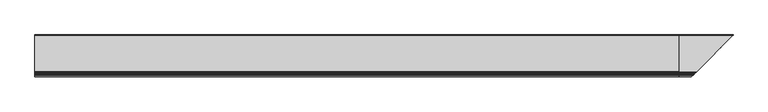
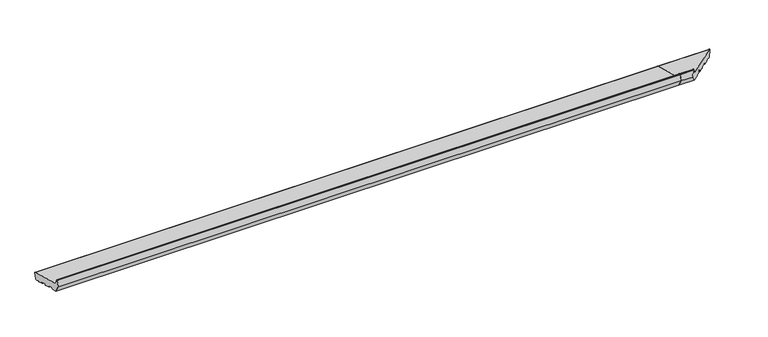
"""IFC4 building model written with IfcOpenShell, lengths in millimetres: proxy geometry."""

import ifcopenshell
import ifcopenshell.guid

model = None  # the IFC model being written
_history = None  # IfcOwnerHistory: only IFC2X3 demands one
_inside = {}  # id of a spatial element -> (the spatial element, [elements in it])
_under = {}  # id of a project, library or spatial element -> (it, [spatial elements below it])
_declared = {}  # id of a project -> (the project, [libraries it declares])
_typed = {}  # id of a type object -> (the type object, [elements of that type])
_made_of = {}  # id of a material, layer set ... -> (it, [elements and type objects made of it])


def new_model(schema):
    """Start an empty IFC model of exactly this schema.

    Asked for "IFC4X3", IfcOpenShell would pick the latest addendum, in which some entities
    have other attributes; the version numbers below select the first issue.
    IFC2X3 requires an IfcOwnerHistory on every rooted entity: one is made here for all.
    """
    global model, _history
    if schema == "IFC4X3":
        model = ifcopenshell.file(schema_version=(4, 3, 0, 0))
    else:
        model = ifcopenshell.file(schema=schema)
    _inside.clear()
    _under.clear()
    _declared.clear()
    _typed.clear()
    _made_of.clear()
    _history = None
    if model.schema == "IFC2X3":
        org = make("IfcOrganization", Name="unknown")
        user = make(
            "IfcPersonAndOrganization",
            ThePerson=make("IfcPerson", FamilyName="unknown"),
            TheOrganization=org,
        )
        app = make(
            "IfcApplication",
            ApplicationDeveloper=org,
            Version="unknown",
            ApplicationFullName="unknown",
            ApplicationIdentifier="unknown",
        )
        _history = make(
            "IfcOwnerHistory",
            OwningUser=user,
            OwningApplication=app,
            ChangeAction="ADDED",
            CreationDate=0,
        )
    return model


def make(cls, **values):
    """One entity of the class cls with the attributes given. An attribute that is None is left unset."""
    return model.create_entity(
        cls, **{name: value for name, value in values.items() if value is not None}
    )


def rooted(cls, **values):
    """An entity with a GlobalId (a new one), such as an element, a storey or a relation."""
    return make(cls, GlobalId=ifcopenshell.guid.new(), OwnerHistory=_history, **values)


def si_unit(unit_type, name, prefix=None):
    """IfcSIUnit, for example si_unit("LENGTHUNIT", "METRE", prefix="MILLI")."""
    return make("IfcSIUnit", UnitType=unit_type, Prefix=prefix, Name=name)


def assignment(units):
    """IfcUnitAssignment: the units of a project."""
    return None if units is None else make("IfcUnitAssignment", Units=units)


def point(xyz):
    """IfcCartesianPoint."""
    return None if xyz is None else make("IfcCartesianPoint", Coordinates=xyz)


def direction(xyz):
    """IfcDirection."""
    return None if xyz is None else make("IfcDirection", DirectionRatios=xyz)


def frame(location, z_axis=None, x_axis=None):
    """IfcAxis2Placement3D, a coordinate frame: its origin and axes. An axis left out is left unset."""
    return make(
        "IfcAxis2Placement3D",
        Location=point(location),
        Axis=direction(z_axis),
        RefDirection=direction(x_axis),
    )


def frame_2d(location, x_axis=None):
    """IfcAxis2Placement2D, a coordinate frame in the plane: its origin and x axis."""
    return make(
        "IfcAxis2Placement2D", Location=point(location), RefDirection=direction(x_axis)
    )


def origin():
    """The frame at (0, 0, 0) with its axes left unset."""
    return frame((0.0, 0.0, 0.0))


def place(relative_to, where):
    """IfcLocalPlacement: puts the frame where relative to a parent placement (None: the world)."""
    return make(
        "IfcLocalPlacement", PlacementRelTo=relative_to, RelativePlacement=where
    )


def context(
    kind, dimensions, precision=None, world=None, true_north=None, identifier=None
):
    """IfcGeometricRepresentationContext, for example the 3D "Model" context."""
    return make(
        "IfcGeometricRepresentationContext",
        ContextIdentifier=identifier,
        ContextType=kind,
        CoordinateSpaceDimension=dimensions,
        Precision=precision,
        WorldCoordinateSystem=world,
        TrueNorth=true_north,
    )


def project(units=None, contexts=None):
    """IfcProject with its units and contexts."""
    return rooted(
        "IfcProject",
        Name="project",
        RepresentationContexts=contexts,
        UnitsInContext=assignment(units),
    )


def spatial(cls, under=None, at=None, **own):
    """A site, building, storey or space (cls), placed at a placement, below another one or the project."""
    s = rooted(cls, ObjectPlacement=at, **own)
    if under is not None:
        _under.setdefault(under.id(), (under, []))[1].append(s)
    return s


def polyline(points):
    """IfcPolyline through the points."""
    return make("IfcPolyline", Points=[point(p) for p in points])


def circle_curve(where, radius):
    """IfcCircle in the frame where."""
    return make("IfcCircle", Position=where, Radius=radius)


def ellipse_curve(where, semi_axis1, semi_axis2):
    """IfcEllipse in the frame where."""
    return make(
        "IfcEllipse", Position=where, SemiAxis1=semi_axis1, SemiAxis2=semi_axis2
    )


def trimmed(basis, trim1, trim2, sense, master):
    """IfcTrimmedCurve: the piece of a basis curve between two trims."""
    return make(
        "IfcTrimmedCurve",
        BasisCurve=basis,
        Trim1=trim1,
        Trim2=trim2,
        SenseAgreement=sense,
        MasterRepresentation=master,
    )


def segment(curve, same_sense, transition):
    """IfcCompositeCurveSegment."""
    return make(
        "IfcCompositeCurveSegment",
        Transition=transition,
        SameSense=same_sense,
        ParentCurve=curve,
    )


def composite_curve(segments, self_intersect=None):
    """IfcCompositeCurve: segments joined end to end."""
    return make("IfcCompositeCurve", Segments=segments, SelfIntersect=self_intersect)


def outline(outer, holes=None, kind="AREA"):
    """IfcArbitraryClosedProfileDef: a profile drawn as a closed curve; with holes, ...WithVoids."""
    if holes is None:
        return make("IfcArbitraryClosedProfileDef", ProfileType=kind, OuterCurve=outer)
    return make(
        "IfcArbitraryProfileDefWithVoids",
        ProfileType=kind,
        OuterCurve=outer,
        InnerCurves=holes,
    )


def extrude(swept, where, along, depth):
    """IfcExtrudedAreaSolid: the profile swept, set in the frame where, extruded along a direction by depth."""
    return make(
        "IfcExtrudedAreaSolid",
        SweptArea=swept,
        Position=where,
        ExtrudedDirection=direction(along),
        Depth=depth,
    )


def shape(context_of_items, identifier, shape_type, items):
    """IfcShapeRepresentation: the items that make up one representation, for example the "Body"."""
    return make(
        "IfcShapeRepresentation",
        ContextOfItems=context_of_items,
        RepresentationIdentifier=identifier,
        RepresentationType=shape_type,
        Items=items,
    )


def source(mapping_origin, context_of_items, identifier, shape_type, items):
    """IfcRepresentationMap: a shape defined once, which mapped items show again and again."""
    return make(
        "IfcRepresentationMap",
        MappingOrigin=mapping_origin,
        MappedRepresentation=shape(context_of_items, identifier, shape_type, items),
    )


def transform(
    local_origin,
    x_axis=None,
    y_axis=None,
    z_axis=None,
    scale=None,
    scale2=None,
    scale3=None,
    uniform=True,
):
    """IfcCartesianTransformationOperator3D, or its non-uniform kind. x_axis, y_axis, z_axis: its Axis1, 2, 3."""
    if uniform:
        return make(
            "IfcCartesianTransformationOperator3D",
            Axis1=direction(x_axis),
            Axis2=direction(y_axis),
            LocalOrigin=point(local_origin),
            Scale=scale,
            Axis3=direction(z_axis),
        )
    return make(
        "IfcCartesianTransformationOperator3DnonUniform",
        Axis1=direction(x_axis),
        Axis2=direction(y_axis),
        LocalOrigin=point(local_origin),
        Scale=scale,
        Axis3=direction(z_axis),
        Scale2=scale2,
        Scale3=scale3,
    )


def mapped(mapping_source, mapping_target):
    """IfcMappedItem: shows the shape of a source again, moved by a transform."""
    return make(
        "IfcMappedItem", MappingSource=mapping_source, MappingTarget=mapping_target
    )


def made_of(thing, what):
    """Note that an element or type object is made of a material, layer set ...; save() writes the relation."""
    if what is not None:
        _made_of.setdefault(what.id(), (what, []))[1].append(thing)
    return thing


def element(
    cls,
    number,
    at=None,
    inside=None,
    cuts=None,
    type_object=None,
    material=None,
    context=None,
    identifier="Body",
    shape_type=None,
    held_by="IfcProductDefinitionShape",
    body=None,
    shapes=None,
    **own,
):
    """One element of the class cls, such as IfcWall. Its Tag is "e" and its number.

    at: its placement. inside: the storey or other place that contains it. cuts: it is an
    opening in that element (IfcRelVoidsElement). A single representation is given by context,
    identifier, shape_type and body (its items); several are given by shapes. held_by: the class
    of the entity that holds the representations. save() writes the other relations.
    """
    e = rooted(cls, Tag="e%d" % number, ObjectPlacement=at, **own)
    if body is not None:
        shapes = [shape(context, identifier, shape_type, body)]
    if shapes is not None:
        e.Representation = make(held_by, Representations=shapes)
    if inside is not None:
        _inside.setdefault(inside.id(), (inside, []))[1].append(e)
    if cuts is not None:
        rooted(
            "IfcRelVoidsElement", RelatingBuildingElement=cuts, RelatedOpeningElement=e
        )
    if type_object is not None:
        _typed.setdefault(type_object.id(), (type_object, []))[1].append(e)
    return made_of(e, material)


def aggregate(whole, parts):
    """IfcRelAggregates: a whole, such as a stair, and the parts it consists of."""
    return rooted("IfcRelAggregates", RelatingObject=whole, RelatedObjects=parts)


def save(model, path):
    """Write the relations noted so far, then the file.

    IfcRelAggregates (storeys below a building ...), IfcRelContainedInSpatialStructure (elements
    in a storey), IfcRelDefinesByType, IfcRelAssociatesMaterial and IfcRelDeclares: one each for
    every whole, place, type object, material and project.
    """
    for whole, parts in _under.values():
        aggregate(whole, parts)
    for where, things in _inside.values():
        rooted(
            "IfcRelContainedInSpatialStructure",
            RelatedElements=things,
            RelatingStructure=where,
        )
    for kind, things in _typed.values():
        rooted("IfcRelDefinesByType", RelatedObjects=things, RelatingType=kind)
    for what, things in _made_of.values():
        rooted("IfcRelAssociatesMaterial", RelatedObjects=things, RelatingMaterial=what)
    for by, libraries in _declared.values():
        rooted("IfcRelDeclares", RelatingContext=by, RelatedDefinitions=libraries)
    model.write(path)


def plane_surface(at):
    """IfcPlane: the flat surface through the origin of the frame at, square to its z axis."""
    return make("IfcPlane", Position=at)


def cylinder_surface(at, radius):
    """IfcCylindricalSurface: all points at the distance radius from the z axis of the frame at."""
    return make("IfcCylindricalSurface", Position=at, Radius=radius)


def revolved_surface(curve, axis_point, axis_direction):
    """IfcSurfaceOfRevolution: the curve turned about the line through axis_point along axis_direction."""
    return make(
        "IfcSurfaceOfRevolution",
        SweptCurve=make("IfcArbitraryOpenProfileDef", ProfileType="CURVE", Curve=curve),
        AxisPosition=make("IfcAxis1Placement", Location=point(axis_point), Axis=direction(axis_direction)),
    )


def advanced_brep(points, edges, surfaces, faces):
    """IfcAdvancedBrep: a solid bounded by faces that lie on surfaces and meet in shared edges.

    An edge is (start, end): straight between two places in points (the first is 0);
    or (start, end, curve); or (start, end, curve, False) where it runs against its curve.
    A face is (place in surfaces, loops), or (place, loops, False) where it looks against
    its surface's normal. A loop lists edges by number (the first is 1), with a minus sign
    where the edge is run from its end to its start. The first loop is the outer one.
    """
    corners = [point(p) for p in points]
    vertices = [make("IfcVertexPoint", VertexGeometry=c) for c in corners]
    made = []
    for start, end, *more in edges:
        made.append(
            make(
                "IfcEdgeCurve",
                EdgeStart=vertices[start],
                EdgeEnd=vertices[end],
                EdgeGeometry=more[0] if more else make("IfcPolyline", Points=[corners[start], corners[end]]),
                SameSense=more[1] if len(more) > 1 else True,
            )
        )
    hull = []
    for where, loops, *sense in faces:
        bounds = []
        for j, loop in enumerate(loops):
            ring = [make("IfcOrientedEdge", EdgeElement=made[abs(k) - 1], Orientation=k > 0) for k in loop]
            bounds.append(
                make(
                    "IfcFaceOuterBound" if j == 0 else "IfcFaceBound",
                    Bound=make("IfcEdgeLoop", EdgeList=ring),
                    Orientation=True,
                )
            )
        hull.append(make("IfcAdvancedFace", Bounds=bounds, FaceSurface=surfaces[where], SameSense=sense[0] if sense else True))
    return make("IfcAdvancedBrep", Outer=make("IfcClosedShell", CfsFaces=hull))


def generic_models_bc8c15d0(model_context):
    return source(origin(), model_context, "Body", "SolidModel", [
        advanced_brep(
        [(2919.6670576, 34.6670576, 35.293328), (2919.6670576, 34.6670576, 30.8798763), (2919.6670576, 35.160744, 32.7223387), (2695.0, 24.7572142, 5.4869469), (2695.0, 22.0404366, 6.2149052), (2695.0, 7.8722069, 14.8023515), (2695.0, 6.3879511, 14.2059898), (2695.0, 5.4386976, 10.6633278), (2695.0, 4.2139528, 9.956221), (2695.0, -18.0023412, 15.909059), (2695.0, -18.709448, 17.1338039), (2695.0, -17.6741718, 20.9975072), (2695.0, -18.3812786, 22.2222521), (2695.0, -41.5634984, 28.4339092), (2695.0, -42.7882433, 27.7268024), (2695.0, -43.8235195, 23.8630991), (2695.0, -45.0482644, 23.1559923), (2695.0, -67.2645584, 29.1088303), (2695.0, -67.9716652, 30.3335752), (2695.0, -66.936389, 34.1972785), (2695.0, -67.6434958, 35.4220234), (2695.0, -90.8257156, 41.6336805), (2695.0, -92.0504605, 40.9265737), (2695.0, -93.0857366, 37.0628704), (2695.0, -94.3104815, 36.3557636), (2695.0, -122.3223305, 43.8615159), (2695.0, -140.0, 74.4801377), (2695.0, -133.4291321, 99.0029505), (2695.0, -131.9802434, 100.114722), (2695.0, -128.6368689, 100.114722), (2695.0, -127.1879801, 99.0029505), (2695.0, -122.4052841, 81.1536858), (2695.0, -118.1626434, 76.9110451), (2695.0, 33.0394236, 36.3965733), (2695.0, 35.160744, 32.7223387), (2695.0, 28.4314488, 7.6082672), (2913.4314488, 28.4314488, 7.6082672), (2909.7572142, 24.7572142, 5.4869469), (2918.0394236, 33.0394236, 36.3965733), (2766.8373566, -118.1626434, 76.9110451), (2762.5947159, -122.4052841, 81.1536858), (2757.8120199, -127.1879801, 99.0029505), (2756.3631311, -128.6368689, 100.114722), (2753.0197566, -131.9802434, 100.114722), (2751.5708679, -133.4291321, 99.0029505), (2745.0, -140.0, 74.4801377), (2762.6776695, -122.3223305, 43.8615159), (2790.6895185, -94.3104815, 36.3557636), (2791.9142634, -93.0857366, 37.0628704), (2792.9495395, -92.0504605, 40.9265737), (2794.1742844, -90.8257156, 41.6336805), (2817.3565042, -67.6434958, 35.4220234), (2818.063611, -66.936389, 34.1972785), (2817.0283348, -67.9716652, 30.3335752), (2817.7354416, -67.2645584, 29.1088303), (2839.9517356, -45.0482644, 23.1559923), (2841.1764805, -43.8235195, 23.8630991), (2842.2117567, -42.7882433, 27.7268024), (2843.4365016, -41.5634984, 28.4339092), (2907.0404366, 22.0404366, 6.2149052), (2866.6187214, -18.3812786, 22.2222521), (2866.9976588, -18.0023412, 15.909059), (2866.290552, -18.709448, 17.1338039), (2867.3258282, -17.6741718, 20.9975072), (2889.2139528, 4.2139528, 9.956221), (2890.4386976, 5.4386976, 10.6633278), (2891.3879511, 6.3879511, 14.2059898), (2892.8722069, 7.8722069, 14.8023515)],
        [
            (0, 1),
            (1, 2),
            (2, 0, circle_curve(frame((2919.6670576, 32.2629665, 33.4987958), z_axis=(1.0, 0.0, 0.0), x_axis=(0.0, 1.0, 0.0)), 3.0)),
            (3, 4),
            (4, 5),
            (5, 6, circle_curve(frame((2695.0, 7.3538769, 13.9471708), z_axis=(1.0, 0.0, 0.0), x_axis=(0.0, 1.0, 0.0)), 1.0)),
            (6, 7),
            (7, 8, circle_curve(frame((2695.0, 4.4727718, 10.9221468), z_axis=(-1.0, 0.0, 0.0), x_axis=(0.0, 1.0, 0.0)), 1.0)),
            (8, 9),
            (9, 10, circle_curve(frame((2695.0, -17.7435222, 16.8749849), z_axis=(-1.0, 0.0, 0.0), x_axis=(0.0, 1.0, 0.0)), 1.0)),
            (10, 11),
            (11, 12, circle_curve(frame((2695.0, -18.6400977, 21.2563263), z_axis=(1.0, 0.0, 0.0), x_axis=(0.0, 1.0, 0.0)), 1.0)),
            (12, 13),
            (13, 14, circle_curve(frame((2695.0, -41.8223175, 27.4679833), z_axis=(1.0, 0.0, 0.0), x_axis=(0.0, 1.0, 0.0)), 1.0)),
            (14, 15),
            (15, 16, circle_curve(frame((2695.0, -44.7894453, 24.1219181), z_axis=(-1.0, 0.0, 0.0), x_axis=(0.0, 1.0, 0.0)), 1.0)),
            (16, 17),
            (17, 18, circle_curve(frame((2695.0, -67.0057393, 30.0747562), z_axis=(-1.0, 0.0, 0.0), x_axis=(0.0, 1.0, 0.0)), 1.0)),
            (18, 19),
            (19, 20, circle_curve(frame((2695.0, -67.9023148, 34.4560976), z_axis=(1.0, 0.0, 0.0), x_axis=(0.0, 1.0, 0.0)), 1.0)),
            (20, 21),
            (21, 22, circle_curve(frame((2695.0, -91.0845346, 40.6677546), z_axis=(1.0, 0.0, 0.0), x_axis=(0.0, 1.0, 0.0)), 1.0)),
            (22, 23),
            (23, 24, circle_curve(frame((2695.0, -94.0516625, 37.3216894), z_axis=(-1.0, 0.0, 0.0), x_axis=(0.0, 1.0, 0.0)), 1.0)),
            (24, 25),
            (25, 26),
            (26, 27),
            (27, 28, circle_curve(frame((2695.0, -131.9802434, 98.614722), z_axis=(-1.0, 0.0, 0.0), x_axis=(0.0, 1.0, 0.0)), 1.5)),
            (28, 29),
            (29, 30, circle_curve(frame((2695.0, -128.6368689, 98.614722), z_axis=(-1.0, 0.0, 0.0), x_axis=(0.0, 1.0, 0.0)), 1.5)),
            (30, 31),
            (31, 32, circle_curve(frame((2695.0, -116.6097291, 82.7066), z_axis=(1.0, 0.0, 0.0), x_axis=(0.0, 1.0, 0.0)), 6.0)),
            (32, 33),
            (33, 34, circle_curve(frame((2695.0, 32.2629665, 33.4987958), z_axis=(-1.0, 0.0, 0.0), x_axis=(0.0, 1.0, 0.0)), 3.0)),
            (34, 35),
            (35, 3, circle_curve(frame((2695.0, 25.5336713, 8.3847244), z_axis=(-1.0, 0.0, 0.0), x_axis=(0.0, 1.0, 0.0)), 3.0)),
            (35, 36),
            (36, 37, ellipse_curve(frame((2910.5336713, 25.5336713, 8.3847244), z_axis=(-0.707106781186548, 0.7071067811865471, 0.0), x_axis=(0.707106781186547, 0.707106781186548, 0.0)), 4.2426407, 3.0)),
            (37, 3),
            (34, 2),
            (1, 36),
            (33, 38),
            (38, 0, ellipse_curve(frame((2917.2629665, 32.2629665, 33.4987958), z_axis=(-0.707106781186548, 0.7071067811865471, 0.0), x_axis=(0.707106781186547, 0.707106781186548, 0.0)), 4.2426407, 3.0)),
            (32, 39),
            (39, 38),
            (31, 40),
            (40, 39, ellipse_curve(frame((2768.3902709, -116.6097291, 82.7066), z_axis=(0.707106781186548, -0.7071067811865471, 0.0), x_axis=(-0.707106781186547, -0.707106781186548, 0.0)), 8.4852814, 6.0)),
            (30, 41),
            (41, 40),
            (29, 42),
            (42, 41, ellipse_curve(frame((2756.3631311, -128.6368689, 98.614722), z_axis=(-0.707106781186548, 0.7071067811865471, 0.0), x_axis=(0.707106781186547, 0.707106781186548, 0.0)), 2.1213203, 1.5)),
            (28, 43),
            (43, 42),
            (27, 44),
            (44, 43, ellipse_curve(frame((2753.0197566, -131.9802434, 98.614722), z_axis=(-0.707106781186548, 0.7071067811865471, 0.0), x_axis=(0.707106781186547, 0.707106781186548, 0.0)), 2.1213203, 1.5)),
            (26, 45),
            (45, 44),
            (25, 46),
            (46, 45),
            (24, 47),
            (47, 46),
            (23, 48),
            (48, 47, ellipse_curve(frame((2790.9483375, -94.0516625, 37.3216894), z_axis=(-0.707106781186548, 0.7071067811865471, 0.0), x_axis=(0.707106781186547, 0.707106781186548, 0.0)), 1.4142136, 1.0)),
            (22, 49),
            (49, 48),
            (21, 50),
            (50, 49, ellipse_curve(frame((2793.9154654, -91.0845346, 40.6677546), z_axis=(0.707106781186548, -0.7071067811865471, 0.0), x_axis=(-0.707106781186547, -0.707106781186548, 0.0)), 1.4142136, 1.0)),
            (20, 51),
            (51, 50),
            (19, 52),
            (52, 51, ellipse_curve(frame((2817.0976852, -67.9023148, 34.4560976), z_axis=(0.707106781186548, -0.7071067811865471, 0.0), x_axis=(-0.707106781186547, -0.707106781186548, 0.0)), 1.4142136, 1.0)),
            (18, 53),
            (53, 52),
            (17, 54),
            (54, 53, ellipse_curve(frame((2817.9942607, -67.0057393, 30.0747562), z_axis=(-0.707106781186548, 0.7071067811865471, 0.0), x_axis=(0.707106781186547, 0.707106781186548, 0.0)), 1.4142136, 1.0)),
            (16, 55),
            (55, 54),
            (15, 56),
            (56, 55, ellipse_curve(frame((2840.2105547, -44.7894453, 24.1219181), z_axis=(-0.707106781186548, 0.7071067811865471, 0.0), x_axis=(0.707106781186547, 0.707106781186548, 0.0)), 1.4142136, 1.0)),
            (14, 57),
            (57, 56),
            (13, 58),
            (58, 57, ellipse_curve(frame((2843.1776825, -41.8223175, 27.4679833), z_axis=(0.707106781186548, -0.7071067811865471, 0.0), x_axis=(-0.707106781186547, -0.707106781186548, 0.0)), 1.4142136, 1.0)),
            (37, 59),
            (59, 4),
            (12, 60),
            (60, 58),
            (9, 61),
            (61, 62, ellipse_curve(frame((2867.2564778, -17.7435222, 16.8749849), z_axis=(-0.707106781186548, 0.7071067811865471, 0.0), x_axis=(0.707106781186547, 0.707106781186548, 0.0)), 1.4142136, 1.0)),
            (62, 10),
            (62, 63),
            (63, 11),
            (63, 60, ellipse_curve(frame((2866.3599023, -18.6400977, 21.2563263), z_axis=(0.707106781186548, -0.7071067811865471, 0.0), x_axis=(-0.707106781186547, -0.707106781186548, 0.0)), 1.4142136, 1.0)),
            (8, 64),
            (64, 61),
            (7, 65),
            (65, 64, ellipse_curve(frame((2889.4727718, 4.4727718, 10.9221468), z_axis=(-0.707106781186548, 0.7071067811865471, 0.0), x_axis=(0.707106781186547, 0.707106781186548, 0.0)), 1.4142136, 1.0)),
            (6, 66),
            (66, 65),
            (5, 67),
            (67, 66, ellipse_curve(frame((2892.3538769, 7.3538769, 13.9471708), z_axis=(0.707106781186548, -0.7071067811865471, 0.0), x_axis=(-0.707106781186547, -0.707106781186548, 0.0)), 1.4142136, 1.0)),
            (59, 67),
        ],
        [
            plane_surface(frame((2919.6670576, 0.0, 0.0), z_axis=(1.0, 0.0, 0.0), x_axis=(0.0, 0.0, 1.0))),
            plane_surface(frame((2695.0, 0.0, 0.0), z_axis=(-1.0, 0.0, 0.0), x_axis=(0.0, 0.0, 1.0))),
            cylinder_surface(frame((2919.6670576, 25.5336713, 8.3847244), z_axis=(1.0, 0.0, 0.0), x_axis=(0.0, 1.0, 0.0)), 3.0),
            plane_surface(frame((2919.6670576, 35.160744, 32.7223387), z_axis=(0.0, 0.9659258262890688, -0.25881904510251913), x_axis=(-1.0, 0.0, 0.0))),
            cylinder_surface(frame((2919.6670576, 32.2629665, 33.4987958), z_axis=(1.0, 0.0, 0.0), x_axis=(0.0, 1.0, 0.0)), 3.0),
            plane_surface(frame((2919.6670576, -118.1626434, 76.9110451), z_axis=(0.0, 0.2588190451025206, 0.9659258262890684), x_axis=(-1.0, 0.0, 0.0))),
            revolved_surface(polyline([(2695.0, -110.6097291, 82.7066), (2774.390270918216, -110.6097291, 82.7066)]), (2919.6670576, -116.6097291, 82.7066), (-1.0, 0.0, 0.0)),
            plane_surface(frame((2919.6670576, -127.1879801, 99.0029505), z_axis=(0.0, 0.9659258262890682, 0.2588190451025212), x_axis=(-1.0, 0.0, 0.0))),
            cylinder_surface(frame((2919.6670576, -128.6368689, 98.614722), z_axis=(1.0, 0.0, 0.0), x_axis=(0.0, 1.0, 0.0)), 1.5),
            plane_surface(frame((2919.6670576, -131.9802434, 100.114722), z_axis=(0.0, 0.0, 1.0), x_axis=(-1.0, 0.0, 0.0))),
            cylinder_surface(frame((2919.6670576, -131.9802434, 98.614722), z_axis=(1.0, 0.0, 0.0), x_axis=(0.0, 1.0, 0.0)), 1.5),
            plane_surface(frame((2919.6670576, -140.0, 74.4801377), z_axis=(0.0, -0.9659258262890683, 0.25881904510252074), x_axis=(-1.0, 0.0, 0.0))),
            plane_surface(frame((2919.6670576, -122.3223305, 43.8615159), z_axis=(0.0, -0.8660254037844369, -0.500000000000003), x_axis=(-1.0, 0.0, 0.0))),
            plane_surface(frame((2919.6670576, -94.3104815, 36.3557636), z_axis=(0.0, -0.2588190451025208, -0.9659258262890683), x_axis=(-1.0, 0.0, 0.0))),
            cylinder_surface(frame((2919.6670576, -94.0516625, 37.3216894), z_axis=(1.0, 0.0, 0.0), x_axis=(0.0, 1.0, 0.0)), 1.0),
            plane_surface(frame((2919.6670576, -92.0504605, 40.9265737), z_axis=(0.0, 0.9659258262890618, -0.25881904510254516), x_axis=(-1.0, 0.0, 0.0))),
            revolved_surface(polyline([(2695.0, -90.0845346, 40.6677546), (2794.9154654266063, -90.0845346, 40.6677546)]), (2919.6670576, -91.0845346, 40.6677546), (-1.0, 0.0, 0.0)),
            plane_surface(frame((2919.6670576, -67.6434958, 35.4220234), z_axis=(0.0, -0.2588190451025217, -0.9659258262890681), x_axis=(-1.0, 0.0, 0.0))),
            revolved_surface(polyline([(2695.0, -66.9023148, 34.4560976), (2818.0976852266062, -66.9023148, 34.4560976)]), (2919.6670576, -67.9023148, 34.4560976), (-1.0, 0.0, 0.0)),
            plane_surface(frame((2919.6670576, -67.9716652, 30.3335752), z_axis=(0.0, -0.9659258262890634, 0.25881904510253917), x_axis=(-1.0, 0.0, 0.0))),
            cylinder_surface(frame((2919.6670576, -67.0057393, 30.0747562), z_axis=(1.0, 0.0, 0.0), x_axis=(0.0, 1.0, 0.0)), 1.0),
            plane_surface(frame((2919.6670576, -45.0482644, 23.1559923), z_axis=(0.0, -0.2588190451025211, -0.9659258262890682), x_axis=(-1.0, 0.0, 0.0))),
            cylinder_surface(frame((2919.6670576, -44.7894453, 24.1219181), z_axis=(1.0, 0.0, 0.0), x_axis=(0.0, 1.0, 0.0)), 1.0),
            plane_surface(frame((2919.6670576, -42.7882433, 27.7268024), z_axis=(0.0, 0.9659258262890634, -0.2588190451025389), x_axis=(-1.0, 0.0, 0.0))),
            revolved_surface(polyline([(2695.0, -40.8223175, 27.4679833), (2844.1776825266065, -40.8223175, 27.4679833)]), (2919.6670576, -41.8223175, 27.4679833), (-1.0, 0.0, 0.0)),
            plane_surface(frame((2919.6670576, 24.7572142, 5.4869469), z_axis=(0.0, -0.2588190451025144, -0.96592582628907), x_axis=(-1.0, 0.0, 0.0))),
            plane_surface(frame((2919.6670576, -18.3812786, 22.2222521), z_axis=(0.0, -0.25881904510252046, -0.9659258262890684), x_axis=(-1.0, 0.0, 0.0))),
            cylinder_surface(frame((2919.6670576, -17.7435222, 16.8749849), z_axis=(1.0, 0.0, 0.0), x_axis=(0.0, 1.0, 0.0)), 1.0),
            plane_surface(frame((2919.6670576, -18.709448, 17.1338039), z_axis=(0.0, -0.9659258262890631, 0.25881904510254045), x_axis=(-1.0, 0.0, 0.0))),
            revolved_surface(polyline([(2695.0, -17.6400977, 21.2563263), (2867.3599023266065, -17.6400977, 21.2563263)]), (2919.6670576, -18.6400977, 21.2563263), (-1.0, 0.0, 0.0)),
            plane_surface(frame((2919.6670576, 4.2139528, 9.956221), z_axis=(0.0, -0.2588190451025199, -0.9659258262890685), x_axis=(-1.0, 0.0, 0.0))),
            cylinder_surface(frame((2919.6670576, 4.4727718, 10.9221468), z_axis=(1.0, 0.0, 0.0), x_axis=(0.0, 1.0, 0.0)), 1.0),
            plane_surface(frame((2919.6670576, 6.3879511, 14.2059898), z_axis=(0.0, 0.9659258262890689, -0.2588190451025187), x_axis=(-1.0, 0.0, 0.0))),
            revolved_surface(polyline([(2695.0, 8.3538769, 13.9471708), (2893.3538769266065, 8.3538769, 13.9471708)]), (2919.6670576, 7.3538769, 13.9471708), (-1.0, 0.0, 0.0)),
            plane_surface(frame((2919.6670576, 22.0404366, 6.2149052), z_axis=(0.0, -0.5183299834329735, -0.8551806991942542), x_axis=(-1.0, 0.0, 0.0))),
            plane_surface(frame((2865.8510281, -19.1489719, 0.0), z_axis=(0.707106781186548, -0.7071067811865471, 0.0), x_axis=(0.0, 0.0, 1.0))),
        ],
        [
            (0, [[1, 2, 3]]),
            (1, [[4, 5, 6, 7, 8, 9, 10, 11, 12, 13, 14, 15, 16, 17, 18, 19, 20, 21, 22, 23, 24, 25, 26, 27, 28, 29, 30, 31, 32, 33, 34, 35, 36]]),
            (2, [[37, 38, 39, -36]]),
            (3, [[40, -2, 41, -37, -35]]),
            (4, [[42, 43, -3, -40, -34]]),
            (5, [[44, 45, -42, -33]]),
            (6, [[46, 47, -44, -32]]),
            (7, [[48, 49, -46, -31]]),
            (8, [[50, 51, -48, -30]]),
            (9, [[52, 53, -50, -29]]),
            (10, [[54, 55, -52, -28]]),
            (11, [[56, 57, -54, -27]]),
            (12, [[58, 59, -56, -26]]),
            (13, [[60, 61, -58, -25]]),
            (14, [[62, 63, -60, -24]]),
            (15, [[64, 65, -62, -23]]),
            (16, [[66, 67, -64, -22]]),
            (17, [[68, 69, -66, -21]]),
            (18, [[70, 71, -68, -20]]),
            (19, [[72, 73, -70, -19]]),
            (20, [[74, 75, -72, -18]]),
            (21, [[76, 77, -74, -17]]),
            (22, [[78, 79, -76, -16]]),
            (23, [[80, 81, -78, -15]]),
            (24, [[82, 83, -80, -14]]),
            (25, [[-39, 84, 85, -4]]),
            (26, [[86, 87, -82, -13]]),
            (27, [[88, 89, 90, -10]]),
            (28, [[-90, 91, 92, -11]]),
            (29, [[-92, 93, -86, -12]]),
            (30, [[94, 95, -88, -9]]),
            (31, [[96, 97, -94, -8]]),
            (32, [[98, 99, -96, -7]]),
            (33, [[100, 101, -98, -6]]),
            (34, [[-85, 102, -100, -5]]),
            (35, [[-43, -45, -47, -49, -51, -53, -55, -57, -59, -61, -63, -65, -67, -69, -71, -73, -75, -77, -79, -81, -83, -87, -93, -91, -89, -95, -97, -99, -101, -102, -84, -38, -41, -1]]),
        ],
    ),
        extrude(outline(composite_curve([segment(polyline([(24.7572142, 5.4869469), (22.0404366, 6.2149052), (7.8722069, 14.8023515)]), True, "CONTINUOUS"), segment(trimmed(circle_curve(frame_2d((7.3538769, 13.9471708)), 1.0), [point((7.8722069, 14.8023515))], [point((6.3879511, 14.2059898))], True, "CARTESIAN"), True, "CONTINUOUS"), segment(polyline([(6.3879511, 14.2059898), (5.4386976, 10.6633278)]), True, "CONTINUOUS"), segment(trimmed(circle_curve(frame_2d((4.4727718, 10.9221468)), 1.0), [point((5.4386976, 10.6633278))], [point((4.2139528, 9.956221))], False, "CARTESIAN"), True, "CONTINUOUS"), segment(polyline([(4.2139528, 9.956221), (-18.0023412, 15.909059)]), True, "CONTINUOUS"), segment(trimmed(circle_curve(frame_2d((-17.7435222, 16.8749849)), 1.0), [point((-18.0023412, 15.909059))], [point((-18.709448, 17.1338039))], False, "CARTESIAN"), True, "CONTINUOUS"), segment(polyline([(-18.709448, 17.1338039), (-17.6741718, 20.9975072)]), True, "CONTINUOUS"), segment(trimmed(circle_curve(frame_2d((-18.6400977, 21.2563263)), 1.0), [point((-17.6741718, 20.9975072))], [point((-18.3812786, 22.2222521))], True, "CARTESIAN"), True, "CONTINUOUS"), segment(polyline([(-18.3812786, 22.2222521), (-41.5634984, 28.4339092)]), True, "CONTINUOUS"), segment(trimmed(circle_curve(frame_2d((-41.8223175, 27.4679833)), 1.0), [point((-41.5634984, 28.4339092))], [point((-42.7882433, 27.7268024))], True, "CARTESIAN"), True, "CONTINUOUS"), segment(polyline([(-42.7882433, 27.7268024), (-43.8235195, 23.8630991)]), True, "CONTINUOUS"), segment(trimmed(circle_curve(frame_2d((-44.7894453, 24.1219181)), 1.0), [point((-43.8235195, 23.8630991))], [point((-45.0482644, 23.1559923))], False, "CARTESIAN"), True, "CONTINUOUS"), segment(polyline([(-45.0482644, 23.1559923), (-67.2645584, 29.1088303)]), True, "CONTINUOUS"), segment(trimmed(circle_curve(frame_2d((-67.0057393, 30.0747562)), 1.0), [point((-67.2645584, 29.1088303))], [point((-67.9716652, 30.3335752))], False, "CARTESIAN"), True, "CONTINUOUS"), segment(polyline([(-67.9716652, 30.3335752), (-66.936389, 34.1972785)]), True, "CONTINUOUS"), segment(trimmed(circle_curve(frame_2d((-67.9023148, 34.4560976)), 1.0), [point((-66.936389, 34.1972785))], [point((-67.6434958, 35.4220234))], True, "CARTESIAN"), True, "CONTINUOUS"), segment(polyline([(-67.6434958, 35.4220234), (-90.8257156, 41.6336805)]), True, "CONTINUOUS"), segment(trimmed(circle_curve(frame_2d((-91.0845346, 40.6677546)), 1.0), [point((-90.8257156, 41.6336805))], [point((-92.0504605, 40.9265737))], True, "CARTESIAN"), True, "CONTINUOUS"), segment(polyline([(-92.0504605, 40.9265737), (-93.0857366, 37.0628704)]), True, "CONTINUOUS"), segment(trimmed(circle_curve(frame_2d((-94.0516625, 37.3216894)), 1.0), [point((-93.0857366, 37.0628704))], [point((-94.3104815, 36.3557636))], False, "CARTESIAN"), True, "CONTINUOUS"), segment(polyline([(-94.3104815, 36.3557636), (-122.3223305, 43.8615159), (-140.0, 74.4801377), (-133.4291321, 99.0029505)]), True, "CONTINUOUS"), segment(trimmed(circle_curve(frame_2d((-131.9802434, 98.614722)), 1.5), [point((-133.4291321, 99.0029505))], [point((-131.9802434, 100.114722))], False, "CARTESIAN"), True, "CONTINUOUS"), segment(polyline([(-131.9802434, 100.114722), (-128.6368689, 100.114722)]), True, "CONTINUOUS"), segment(trimmed(circle_curve(frame_2d((-128.6368689, 98.614722)), 1.5), [point((-128.6368689, 100.114722))], [point((-127.1879801, 99.0029505))], False, "CARTESIAN"), True, "CONTINUOUS"), segment(polyline([(-127.1879801, 99.0029505), (-122.4052841, 81.1536858)]), True, "CONTINUOUS"), segment(trimmed(circle_curve(frame_2d((-116.6097291, 82.7066)), 6.0), [point((-122.4052841, 81.1536858))], [point((-118.1626434, 76.9110451))], True, "CARTESIAN"), True, "CONTINUOUS"), segment(polyline([(-118.1626434, 76.9110451), (33.0394236, 36.3965733)]), True, "CONTINUOUS"), segment(trimmed(circle_curve(frame_2d((32.2629665, 33.4987958)), 3.0), [point((33.0394236, 36.3965733))], [point((35.160744, 32.7223387))], False, "CARTESIAN"), True, "CONTINUOUS"), segment(polyline([(35.160744, 32.7223387), (28.4314488, 7.6082672)]), True, "CONTINUOUS"), segment(trimmed(circle_curve(frame_2d((25.5336713, 8.3847244)), 3.0), [point((28.4314488, 7.6082672))], [point((24.7572142, 5.4869469))], False, "CARTESIAN"), True, "CONTINUOUS")], self_intersect=False)), frame((0.0, 0.0, 0.0), z_axis=(1.0, 0.0, 0.0), x_axis=(0.0, 1.0, 0.0)), (0.0, 0.0, 1.0), 2695.0),
    ])


if __name__ == "__main__":
    model = new_model("IFC4")
    model_context = context("Model", 3, world=origin())
    ifc_project = project(units=[si_unit("LENGTHUNIT", "METRE", prefix="MILLI")], contexts=[model_context])
    site = spatial("IfcSite", under=ifc_project)
    building = spatial("IfcBuilding", under=site)
    placement = place(None, origin())
    generic_models_shape = generic_models_bc8c15d0(model_context)
    element("IfcBuildingElementProxy", 1, Name="Generic Models", at=placement, inside=building, context=model_context, shape_type="MappedRepresentation", body=[
        mapped(generic_models_shape, transform((0.0, 0.0, 0.0), x_axis=(1.0, 0.0, 0.0), y_axis=(0.0, 1.0, 0.0), z_axis=(0.0, 0.0, 1.0))),
    ])
    save(model, "model.ifc")
